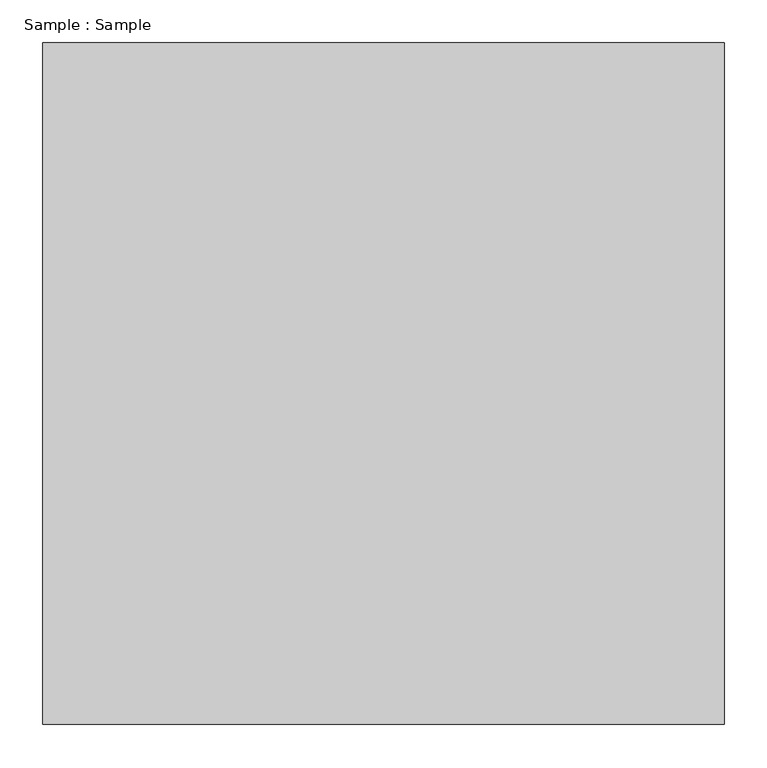
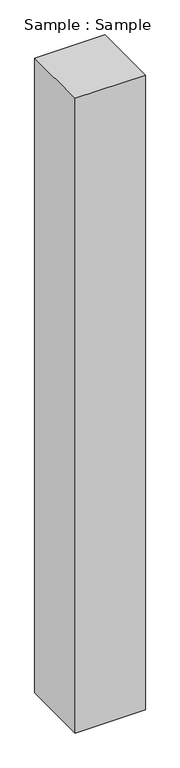
"""IFC4 building model written with IfcOpenShell, lengths in millimetres: proxy geometry, Sample : Sample."""

from ifc_helpers import new_model, si_unit, origin, origin_with_axes, place, context, project, spatial, polyline, outline, extrude, source, transform, mapped, element, save


def sample_sample_94b07fbb(model_context):
    return source(origin(), model_context, "Body", "SweptSolid", [
        extrude(outline(polyline([(400.0, 400.0), (400.0, -400.0), (-400.0, -400.0), (-400.0, 400.0), (400.0, 400.0)])), origin_with_axes(), (0.0, 0.0, 1.0), 7655.1724138),
    ])


if __name__ == "__main__":
    model = new_model("IFC4")
    model_context = context("Model", 3, world=origin())
    ifc_project = project(units=[si_unit("LENGTHUNIT", "METRE", prefix="MILLI")], contexts=[model_context])
    site = spatial("IfcSite", under=ifc_project)
    building = spatial("IfcBuilding", under=site)
    placement = place(None, origin())
    sample_sample_shape = sample_sample_94b07fbb(model_context)
    element("IfcBuildingElementProxy", 1, Name="Sample : Sample", ObjectType="Sample : Sample", at=placement, inside=building, context=model_context, shape_type="MappedRepresentation", body=[
        mapped(sample_sample_shape, transform((0.0, 0.0, 0.0), x_axis=(1.0, 0.0, 0.0), y_axis=(0.0, 1.0, 0.0), z_axis=(0.0, 0.0, 1.0))),
    ])
    save(model, "model.ifc")
